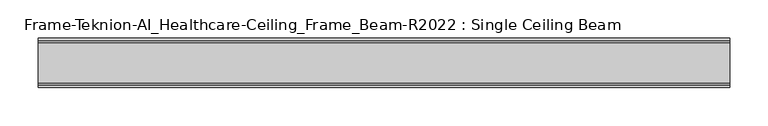
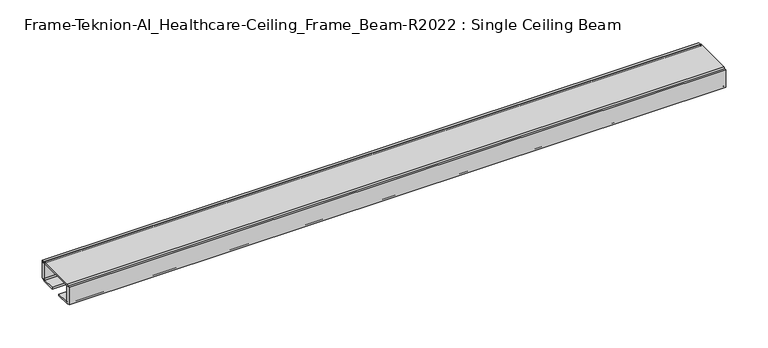
"""IFC4 building model written with IfcOpenShell, lengths in millimetres: furniture geometry, Frame-Teknion-AI_Healthcare-Ceiling_Frame_Beam-R2022 : Single Ceiling Beam."""

import ifcopenshell
import ifcopenshell.guid

model = None  # the IFC model being written
_history = None  # IfcOwnerHistory: only IFC2X3 demands one
_inside = {}  # id of a spatial element -> (the spatial element, [elements in it])
_under = {}  # id of a project, library or spatial element -> (it, [spatial elements below it])
_declared = {}  # id of a project -> (the project, [libraries it declares])
_typed = {}  # id of a type object -> (the type object, [elements of that type])
_made_of = {}  # id of a material, layer set ... -> (it, [elements and type objects made of it])


def new_model(schema):
    """Start an empty IFC model of exactly this schema.

    Asked for "IFC4X3", IfcOpenShell would pick the latest addendum, in which some entities
    have other attributes; the version numbers below select the first issue.
    IFC2X3 requires an IfcOwnerHistory on every rooted entity: one is made here for all.
    """
    global model, _history
    if schema == "IFC4X3":
        model = ifcopenshell.file(schema_version=(4, 3, 0, 0))
    else:
        model = ifcopenshell.file(schema=schema)
    _inside.clear()
    _under.clear()
    _declared.clear()
    _typed.clear()
    _made_of.clear()
    _history = None
    if model.schema == "IFC2X3":
        org = make("IfcOrganization", Name="unknown")
        user = make(
            "IfcPersonAndOrganization",
            ThePerson=make("IfcPerson", FamilyName="unknown"),
            TheOrganization=org,
        )
        app = make(
            "IfcApplication",
            ApplicationDeveloper=org,
            Version="unknown",
            ApplicationFullName="unknown",
            ApplicationIdentifier="unknown",
        )
        _history = make(
            "IfcOwnerHistory",
            OwningUser=user,
            OwningApplication=app,
            ChangeAction="ADDED",
            CreationDate=0,
        )
    return model


def make(cls, **values):
    """One entity of the class cls with the attributes given. An attribute that is None is left unset."""
    return model.create_entity(
        cls, **{name: value for name, value in values.items() if value is not None}
    )


def rooted(cls, **values):
    """An entity with a GlobalId (a new one), such as an element, a storey or a relation."""
    return make(cls, GlobalId=ifcopenshell.guid.new(), OwnerHistory=_history, **values)


def si_unit(unit_type, name, prefix=None):
    """IfcSIUnit, for example si_unit("LENGTHUNIT", "METRE", prefix="MILLI")."""
    return make("IfcSIUnit", UnitType=unit_type, Prefix=prefix, Name=name)


def assignment(units):
    """IfcUnitAssignment: the units of a project."""
    return None if units is None else make("IfcUnitAssignment", Units=units)


def point(xyz):
    """IfcCartesianPoint."""
    return None if xyz is None else make("IfcCartesianPoint", Coordinates=xyz)


def direction(xyz):
    """IfcDirection."""
    return None if xyz is None else make("IfcDirection", DirectionRatios=xyz)


def frame(location, z_axis=None, x_axis=None):
    """IfcAxis2Placement3D, a coordinate frame: its origin and axes. An axis left out is left unset."""
    return make(
        "IfcAxis2Placement3D",
        Location=point(location),
        Axis=direction(z_axis),
        RefDirection=direction(x_axis),
    )


def frame_2d(location, x_axis=None):
    """IfcAxis2Placement2D, a coordinate frame in the plane: its origin and x axis."""
    return make(
        "IfcAxis2Placement2D", Location=point(location), RefDirection=direction(x_axis)
    )


def origin():
    """The frame at (0, 0, 0) with its axes left unset."""
    return frame((0.0, 0.0, 0.0))


def place(relative_to, where):
    """IfcLocalPlacement: puts the frame where relative to a parent placement (None: the world)."""
    return make(
        "IfcLocalPlacement", PlacementRelTo=relative_to, RelativePlacement=where
    )


def context(
    kind, dimensions, precision=None, world=None, true_north=None, identifier=None
):
    """IfcGeometricRepresentationContext, for example the 3D "Model" context."""
    return make(
        "IfcGeometricRepresentationContext",
        ContextIdentifier=identifier,
        ContextType=kind,
        CoordinateSpaceDimension=dimensions,
        Precision=precision,
        WorldCoordinateSystem=world,
        TrueNorth=true_north,
    )


def project(units=None, contexts=None):
    """IfcProject with its units and contexts."""
    return rooted(
        "IfcProject",
        Name="project",
        RepresentationContexts=contexts,
        UnitsInContext=assignment(units),
    )


def spatial(cls, under=None, at=None, **own):
    """A site, building, storey or space (cls), placed at a placement, below another one or the project."""
    s = rooted(cls, ObjectPlacement=at, **own)
    if under is not None:
        _under.setdefault(under.id(), (under, []))[1].append(s)
    return s


def polyline(points):
    """IfcPolyline through the points."""
    return make("IfcPolyline", Points=[point(p) for p in points])


def circle_curve(where, radius):
    """IfcCircle in the frame where."""
    return make("IfcCircle", Position=where, Radius=radius)


def trimmed(basis, trim1, trim2, sense, master):
    """IfcTrimmedCurve: the piece of a basis curve between two trims."""
    return make(
        "IfcTrimmedCurve",
        BasisCurve=basis,
        Trim1=trim1,
        Trim2=trim2,
        SenseAgreement=sense,
        MasterRepresentation=master,
    )


def segment(curve, same_sense, transition):
    """IfcCompositeCurveSegment."""
    return make(
        "IfcCompositeCurveSegment",
        Transition=transition,
        SameSense=same_sense,
        ParentCurve=curve,
    )


def composite_curve(segments, self_intersect=None):
    """IfcCompositeCurve: segments joined end to end."""
    return make("IfcCompositeCurve", Segments=segments, SelfIntersect=self_intersect)


def outline(outer, holes=None, kind="AREA"):
    """IfcArbitraryClosedProfileDef: a profile drawn as a closed curve; with holes, ...WithVoids."""
    if holes is None:
        return make("IfcArbitraryClosedProfileDef", ProfileType=kind, OuterCurve=outer)
    return make(
        "IfcArbitraryProfileDefWithVoids",
        ProfileType=kind,
        OuterCurve=outer,
        InnerCurves=holes,
    )


def extrude(swept, where, along, depth):
    """IfcExtrudedAreaSolid: the profile swept, set in the frame where, extruded along a direction by depth."""
    return make(
        "IfcExtrudedAreaSolid",
        SweptArea=swept,
        Position=where,
        ExtrudedDirection=direction(along),
        Depth=depth,
    )


def shape(context_of_items, identifier, shape_type, items):
    """IfcShapeRepresentation: the items that make up one representation, for example the "Body"."""
    return make(
        "IfcShapeRepresentation",
        ContextOfItems=context_of_items,
        RepresentationIdentifier=identifier,
        RepresentationType=shape_type,
        Items=items,
    )


def source(mapping_origin, context_of_items, identifier, shape_type, items):
    """IfcRepresentationMap: a shape defined once, which mapped items show again and again."""
    return make(
        "IfcRepresentationMap",
        MappingOrigin=mapping_origin,
        MappedRepresentation=shape(context_of_items, identifier, shape_type, items),
    )


def transform(
    local_origin,
    x_axis=None,
    y_axis=None,
    z_axis=None,
    scale=None,
    scale2=None,
    scale3=None,
    uniform=True,
):
    """IfcCartesianTransformationOperator3D, or its non-uniform kind. x_axis, y_axis, z_axis: its Axis1, 2, 3."""
    if uniform:
        return make(
            "IfcCartesianTransformationOperator3D",
            Axis1=direction(x_axis),
            Axis2=direction(y_axis),
            LocalOrigin=point(local_origin),
            Scale=scale,
            Axis3=direction(z_axis),
        )
    return make(
        "IfcCartesianTransformationOperator3DnonUniform",
        Axis1=direction(x_axis),
        Axis2=direction(y_axis),
        LocalOrigin=point(local_origin),
        Scale=scale,
        Axis3=direction(z_axis),
        Scale2=scale2,
        Scale3=scale3,
    )


def mapped(mapping_source, mapping_target):
    """IfcMappedItem: shows the shape of a source again, moved by a transform."""
    return make(
        "IfcMappedItem", MappingSource=mapping_source, MappingTarget=mapping_target
    )


def made_of(thing, what):
    """Note that an element or type object is made of a material, layer set ...; save() writes the relation."""
    if what is not None:
        _made_of.setdefault(what.id(), (what, []))[1].append(thing)
    return thing


def element(
    cls,
    number,
    at=None,
    inside=None,
    cuts=None,
    type_object=None,
    material=None,
    context=None,
    identifier="Body",
    shape_type=None,
    held_by="IfcProductDefinitionShape",
    body=None,
    shapes=None,
    **own,
):
    """One element of the class cls, such as IfcWall. Its Tag is "e" and its number.

    at: its placement. inside: the storey or other place that contains it. cuts: it is an
    opening in that element (IfcRelVoidsElement). A single representation is given by context,
    identifier, shape_type and body (its items); several are given by shapes. held_by: the class
    of the entity that holds the representations. save() writes the other relations.
    """
    e = rooted(cls, Tag="e%d" % number, ObjectPlacement=at, **own)
    if body is not None:
        shapes = [shape(context, identifier, shape_type, body)]
    if shapes is not None:
        e.Representation = make(held_by, Representations=shapes)
    if inside is not None:
        _inside.setdefault(inside.id(), (inside, []))[1].append(e)
    if cuts is not None:
        rooted(
            "IfcRelVoidsElement", RelatingBuildingElement=cuts, RelatedOpeningElement=e
        )
    if type_object is not None:
        _typed.setdefault(type_object.id(), (type_object, []))[1].append(e)
    return made_of(e, material)


def aggregate(whole, parts):
    """IfcRelAggregates: a whole, such as a stair, and the parts it consists of."""
    return rooted("IfcRelAggregates", RelatingObject=whole, RelatedObjects=parts)


def save(model, path):
    """Write the relations noted so far, then the file.

    IfcRelAggregates (storeys below a building ...), IfcRelContainedInSpatialStructure (elements
    in a storey), IfcRelDefinesByType, IfcRelAssociatesMaterial and IfcRelDeclares: one each for
    every whole, place, type object, material and project.
    """
    for whole, parts in _under.values():
        aggregate(whole, parts)
    for where, things in _inside.values():
        rooted(
            "IfcRelContainedInSpatialStructure",
            RelatedElements=things,
            RelatingStructure=where,
        )
    for kind, things in _typed.values():
        rooted("IfcRelDefinesByType", RelatedObjects=things, RelatingType=kind)
    for what, things in _made_of.values():
        rooted("IfcRelAssociatesMaterial", RelatedObjects=things, RelatingMaterial=what)
    for by, libraries in _declared.values():
        rooted("IfcRelDeclares", RelatingContext=by, RelatedDefinitions=libraries)
    model.write(path)


def frame_teknion_ai_healthcare_ceiling_frame_beam_r2022_single_e26ae7ba(model_context):
    return source(origin(), model_context, "Body", "SweptSolid", [
        extrude(outline(composite_curve([segment(polyline([(-32.174996, 1573.5046), (-32.174996, 1598.9045998), (-28.999999, 1598.9045998), (-28.999999, 1597.787)]), True, "CONTINUOUS"), segment(trimmed(circle_curve(frame_2d((-26.5869991, 1597.787)), 2.413), [point((-28.999999, 1597.787))], [point((-26.5869991, 1600.2))], False, "CARTESIAN"), True, "CONTINUOUS"), segment(polyline([(-26.5869991, 1600.2), (26.5869991, 1600.2)]), True, "CONTINUOUS"), segment(trimmed(circle_curve(frame_2d((26.5869991, 1597.787)), 2.413), [point((26.5869991, 1600.2))], [point((28.999999, 1597.787))], False, "CARTESIAN"), True, "CONTINUOUS"), segment(polyline([(28.999999, 1597.787), (28.999999, 1598.9045998), (32.174996, 1598.9045998), (32.174996, 1573.5046), (28.999999, 1573.5046), (28.999999, 1574.6129989)]), True, "CONTINUOUS"), segment(trimmed(circle_curve(frame_2d((26.5869991, 1574.6129989)), 2.413), [point((28.999999, 1574.6129989))], [point((26.5869991, 1572.199999))], False, "CARTESIAN"), True, "CONTINUOUS"), segment(polyline([(26.5869991, 1572.199999), (7.9374947, 1572.199999), (7.9374947, 1574.4859991), (25.4440002, 1574.4859991)]), True, "CONTINUOUS"), segment(trimmed(circle_curve(frame_2d((25.4440002, 1576.0099999)), 1.5240008), [point((25.4440002, 1574.4859991))], [point((26.968001, 1576.0099999))], True, "CARTESIAN"), True, "CONTINUOUS"), segment(polyline([(26.968001, 1576.0099999), (26.968001, 1597.1520009)]), True, "CONTINUOUS"), segment(trimmed(circle_curve(frame_2d((25.9520019, 1597.1520009)), 1.015999), [point((26.968001, 1597.1520009))], [point((25.9520019, 1598.168))], True, "CARTESIAN"), True, "CONTINUOUS"), segment(polyline([(25.9520019, 1598.168), (-25.9520019, 1598.168)]), True, "CONTINUOUS"), segment(trimmed(circle_curve(frame_2d((-25.9520019, 1597.1520009)), 1.015999), [point((-25.9520019, 1598.168))], [point((-26.968001, 1597.1520009))], True, "CARTESIAN"), True, "CONTINUOUS"), segment(polyline([(-26.968001, 1597.1520009), (-26.968001, 1576.0099999)]), True, "CONTINUOUS"), segment(trimmed(circle_curve(frame_2d((-25.4440002, 1576.0099999)), 1.5240008), [point((-26.968001, 1576.0099999))], [point((-25.4440002, 1574.4859991))], True, "CARTESIAN"), True, "CONTINUOUS"), segment(polyline([(-25.4440002, 1574.4859991), (-7.9374947, 1574.4859991), (-7.9374947, 1572.199999), (-26.5869991, 1572.199999)]), True, "CONTINUOUS"), segment(trimmed(circle_curve(frame_2d((-26.5869991, 1574.6129989)), 2.413), [point((-26.5869991, 1572.199999))], [point((-28.999999, 1574.6129989))], False, "CARTESIAN"), True, "CONTINUOUS"), segment(polyline([(-28.999999, 1574.6129989), (-28.999999, 1573.5046), (-32.174996, 1573.5046)]), True, "CONTINUOUS")], self_intersect=False)), frame((-450.5079114, 0.0, 0.0), z_axis=(1.0, 0.0, 0.0), x_axis=(0.0, 1.0, 0.0)), (0.0, 0.0, 1.0), 901.0158229),
    ])


if __name__ == "__main__":
    model = new_model("IFC4")
    model_context = context("Model", 3, world=origin())
    ifc_project = project(units=[si_unit("LENGTHUNIT", "METRE", prefix="MILLI")], contexts=[model_context])
    site = spatial("IfcSite", under=ifc_project)
    building = spatial("IfcBuilding", under=site)
    placement = place(None, origin())
    frame_teknion_ai_healthcare_ceiling_frame_beam_r2022_single_shape = frame_teknion_ai_healthcare_ceiling_frame_beam_r2022_single_e26ae7ba(model_context)
    element("IfcFurniture", 1, ObjectType="Frame-Teknion-AI_Healthcare-Ceiling_Frame_Beam-R2022 : Single Ceiling Beam", at=placement, inside=building, context=model_context, shape_type="MappedRepresentation", body=[
        mapped(frame_teknion_ai_healthcare_ceiling_frame_beam_r2022_single_shape, transform((0.0, 0.0, 0.0), x_axis=(1.0, 0.0, 0.0), y_axis=(0.0, 1.0, 0.0), z_axis=(0.0, 0.0, 1.0))),
    ])
    save(model, "model.ifc")
